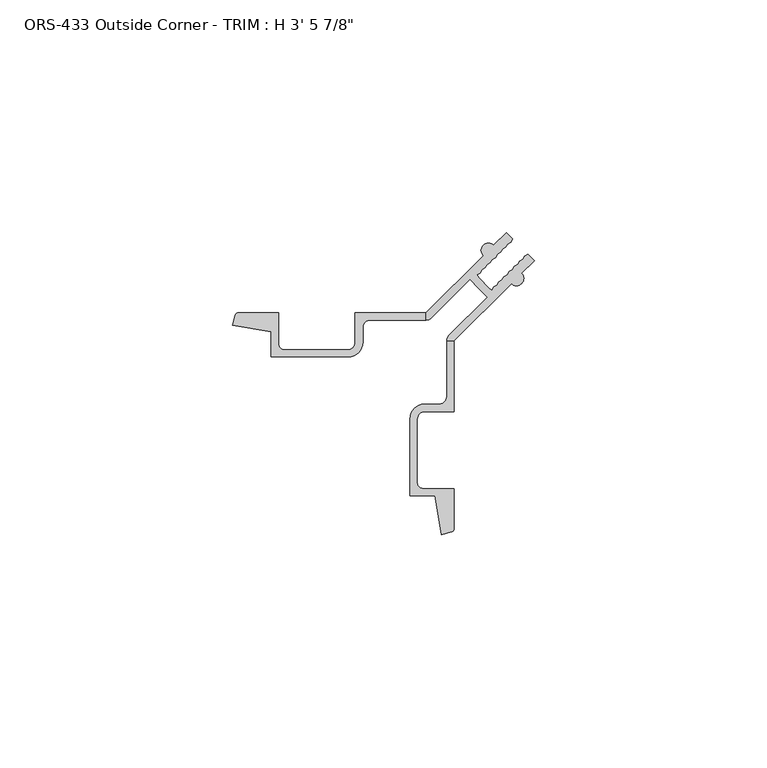
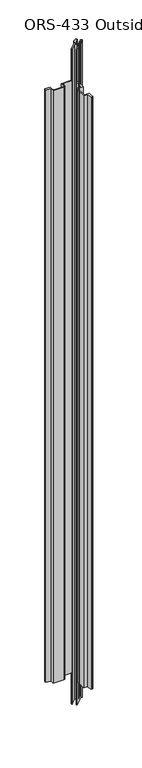
"""IFC4 building model written with IfcOpenShell, lengths in millimetres: proxy geometry."""

from ifc_helpers import new_model, si_unit, frame, origin, place, context, project, spatial, polyline, circle_curve, source, transform, mapped, element, save
from ifc_brep_helpers import plane_surface, cylinder_surface, revolved_surface, advanced_brep


def proxy_449db854(model_context):
    return source(origin(), model_context, "Body", "AdvancedBrep", [
        advanced_brep(
        [(30.3216023, 36.3412035, 1063.625), (18.0414703, 24.0610715, 1063.625), (18.0414703, 22.4628693, 1063.625), (19.1496667, 22.9312022, 1063.625), (27.4206627, 31.2129722, 1063.625), (29.3161603, 29.3199405, 1063.625), (31.209192, 27.4244429, 1063.625), (22.927422, 19.1534469, 1063.625), (22.4590891, 18.0254304, 1063.625), (24.0572913, 18.0452505, 1063.625), (36.3374233, 30.3253825, 1063.625), (38.5645269, 32.552486, 1063.625), (41.267584, 35.2555431, 1063.625), (39.8998636, 36.6232635, 1063.625), (39.2053619, 36.2276971, 1063.625), (38.7970087, 35.5204085, 1063.625), (38.102507, 35.1248422, 1063.625), (37.7202851, 34.4436849, 1063.625), (37.0257937, 34.0263924, 1063.625), (36.6085012, 33.3319011, 1063.625), (35.9139996, 32.9363347, 1063.625), (35.4639852, 32.187385, 1063.625), (34.7694835, 31.7918187, 1063.625), (34.3639869, 31.0873867, 1063.625), (33.6694852, 30.6918204, 1063.625), (33.2639886, 29.9873884, 1063.625), (32.5694869, 29.5918221, 1063.625), (32.1857226, 28.9091224, 1063.625), (31.5195919, 29.3419685, 1063.625), (29.3381883, 31.5233721, 1063.625), (28.9053422, 32.1895028, 1063.625), (29.5880419, 32.5732671, 1063.625), (29.9836082, 33.2677688, 1063.625), (30.6880402, 33.6732654, 1063.625), (31.0836065, 34.3677671, 1063.625), (31.7880385, 34.7732637, 1063.625), (32.1836048, 35.4677654, 1063.625), (32.9325545, 35.9177798, 1063.625), (33.3281209, 36.6122814, 1063.625), (34.0476129, 37.0445958, 1063.625), (34.4399047, 37.7240653, 1063.625), (35.121062, 38.1062872, 1063.625), (35.5166283, 38.8007889, 1063.625), (36.2239169, 39.2091421, 1063.625), (36.6194832, 39.9036438, 1063.625), (35.2517629, 41.2713642, 1063.625), (32.5487058, 38.5683071, 1063.625), (30.3216023, 36.3412035, 0.0), (32.5487058, 38.5683071, 0.0), (35.2517629, 41.2713642, 0.0), (36.6194832, 39.9036438, 0.0), (36.2239169, 39.2091421, 0.0), (35.5166283, 38.8007889, 0.0), (35.121062, 38.1062872, 0.0), (34.4399047, 37.7240653, 0.0), (34.0476129, 37.0445958, 0.0), (33.3281209, 36.6122814, 0.0), (32.9325545, 35.9177798, 0.0), (32.1836048, 35.4677654, 0.0), (31.7880385, 34.7732637, 0.0), (31.0836065, 34.3677671, 0.0), (30.6880402, 33.6732654, 0.0), (29.9836082, 33.2677688, 0.0), (29.5880419, 32.5732671, 0.0), (28.9053422, 32.1895028, 0.0), (29.3381883, 31.5233721, 0.0), (31.5195919, 29.3419685, 0.0), (32.1857226, 28.9091224, 0.0), (32.5694869, 29.5918221, 0.0), (33.2639886, 29.9873884, 0.0), (33.6694852, 30.6918204, 0.0), (34.3639869, 31.0873867, 0.0), (34.7694835, 31.7918187, 0.0), (35.4639852, 32.187385, 0.0), (35.9139996, 32.9363347, 0.0), (36.6085012, 33.3319011, 0.0), (37.0257937, 34.0263924, 0.0), (37.7202851, 34.4436849, 0.0), (38.102507, 35.1248422, 0.0), (38.7970087, 35.5204085, 0.0), (39.2053619, 36.2276971, 0.0), (39.8998636, 36.6232635, 0.0), (41.267584, 35.2555431, 0.0), (38.5645269, 32.552486, 0.0), (36.3374233, 30.3253825, 0.0), (24.0572913, 18.0452505, 0.0), (22.4590891, 18.0452505, 0.0), (22.927422, 19.1534469, 0.0), (31.209192, 27.4244429, 0.0), (29.3161603, 29.3199405, 0.0), (27.4206627, 31.2129722, 0.0), (19.1496667, 22.9312022, 0.0), (18.0216502, 22.4628693, 0.0), (18.0414703, 24.0610715, 0.0), (18.0414703, 24.0610715, 50.8), (18.0414703, 24.0610715, 1012.825), (2.7760703, 24.0610715, 50.8), (2.7760703, 24.0610715, 1012.825), (2.7760703, 17.6983715, 50.8), (2.7760703, 17.6983715, 1012.825), (1.1885703, 16.1108715, 50.8), (1.1885703, 16.1108715, 1012.825), (-12.4639297, 16.1108715, 50.8), (-12.4639297, 16.1108715, 1012.825), (-13.7339297, 17.3808715, 50.8), (-13.7339297, 17.3808715, 1012.825), (-13.7339297, 24.0610715, 50.8), (-13.7339297, 24.0610715, 1012.825), (-22.2942816, 24.0610715, 50.8), (-22.2942816, 24.0610715, 1012.825), (-23.0548743, 23.4974723, 50.8), (-23.0548743, 23.4974723, 1012.825), (-23.6377036, 21.3549227, 50.8), (-23.6377036, 21.3549227, 1012.825), (-15.3087297, 19.9287285, 50.8), (-15.3087297, 19.9287285, 1012.825), (-15.3087297, 14.5610551, 50.8), (-15.3087297, 14.5610551, 1012.825), (1.2844379, 14.5610551, 50.8), (1.2844379, 14.5610551, 1012.825), (4.4092625, 17.6858797, 50.8), (4.4092625, 17.6858797, 1012.825), (4.4092625, 20.8979271, 50.8), (4.4092625, 20.8979271, 1012.825), (5.9742047, 22.4628693, 50.8), (5.9742047, 22.4628693, 1012.825), (18.0216502, 22.4628693, 50.8), (18.0216502, 22.4628693, 1012.825), (22.4592125, 18.0452505, 50.8), (22.4590891, 18.0254304, 1012.825), (22.4590891, 5.9779849, 50.8), (22.4590891, 5.9779849, 1012.825), (20.8941469, 4.4130427, 50.8), (20.8941469, 4.4130427, 1012.825), (17.6820995, 4.4130427, 50.8), (17.6820995, 4.4130427, 1012.825), (14.5572749, 1.2882181, 50.8), (14.5572749, 1.2882181, 1012.825), (14.5572749, -15.3049495, 50.8), (14.5572749, -15.3049495, 1012.825), (19.9249483, -15.3049495, 50.8), (19.9249483, -15.3049495, 1012.825), (21.3511424, -23.6339234, 50.8), (21.3511424, -23.6339234, 1012.825), (23.4936921, -23.0510941, 50.8), (23.4936921, -23.0510941, 1012.825), (24.0572913, -22.2905014, 50.8), (24.0572913, -22.2905014, 1012.825), (24.0572913, -13.7301495, 50.8), (24.0572913, -13.7301495, 1012.825), (17.3770913, -13.7301495, 50.8), (17.3770913, -13.7301495, 1012.825), (16.1070913, -12.4601495, 50.8), (16.1070913, -12.4601495, 1012.825), (16.1070913, 1.1923505, 50.8), (16.1070913, 1.1923505, 1012.825), (17.6945913, 2.7798505, 50.8), (17.6945913, 2.7798505, 1012.825), (24.0572913, 2.7798505, 50.8), (24.0572913, 2.7798505, 1012.825), (24.0572913, 18.0452505, 50.8), (24.0572913, 18.0452505, 1012.825)],
        [
            (0, 1),
            (1, 2),
            (2, 3, circle_curve(frame((18.0216502, 24.0554939, 1063.625), z_axis=(0.0, 0.0, 1.0), x_axis=(1.0, 0.0, 0.0)), 1.5926245)),
            (3, 4),
            (4, 5),
            (5, 6),
            (6, 7),
            (7, 8, circle_curve(frame((24.0517137, 18.0254304, 1063.625), z_axis=(0.0, 0.0, 1.0), x_axis=(1.0, 0.0, 0.0)), 1.5926245)),
            (8, 9),
            (9, 10),
            (10, 11, circle_curve(frame((37.4509751, 31.4389342, 1063.625), z_axis=(0.0, 0.0, 1.0), x_axis=(1.0, 0.0, 0.0)), 1.5748)),
            (11, 12),
            (12, 13),
            (13, 14),
            (14, 15),
            (15, 16),
            (16, 17),
            (17, 18),
            (18, 19),
            (19, 20),
            (20, 21),
            (21, 22),
            (22, 23),
            (23, 24),
            (24, 25),
            (25, 26),
            (26, 27),
            (27, 28),
            (28, 29),
            (29, 30),
            (30, 31),
            (31, 32),
            (32, 33),
            (33, 34),
            (34, 35),
            (35, 36),
            (36, 37),
            (37, 38),
            (38, 39),
            (39, 40),
            (40, 41),
            (41, 42),
            (42, 43),
            (43, 44),
            (44, 45),
            (45, 46),
            (46, 0, circle_curve(frame((31.435154, 37.4547553, 1063.625), z_axis=(0.0, 0.0, 1.0), x_axis=(1.0, 0.0, 0.0)), 1.5748)),
            (47, 48, circle_curve(frame((31.435154, 37.4547553, 0.0), z_axis=(0.0, 0.0, -1.0), x_axis=(1.0, 0.0, 0.0)), 1.5748)),
            (48, 49),
            (49, 50),
            (50, 51),
            (51, 52),
            (52, 53),
            (53, 54),
            (54, 55),
            (55, 56),
            (56, 57),
            (57, 58),
            (58, 59),
            (59, 60),
            (60, 61),
            (61, 62),
            (62, 63),
            (63, 64),
            (64, 65),
            (65, 66),
            (66, 67),
            (67, 68),
            (68, 69),
            (69, 70),
            (70, 71),
            (71, 72),
            (72, 73),
            (73, 74),
            (74, 75),
            (75, 76),
            (76, 77),
            (77, 78),
            (78, 79),
            (79, 80),
            (80, 81),
            (81, 82),
            (82, 83),
            (83, 84, circle_curve(frame((37.4509751, 31.4389342, 0.0), z_axis=(0.0, 0.0, -1.0), x_axis=(1.0, 0.0, 0.0)), 1.5748)),
            (84, 85),
            (85, 86),
            (86, 87, circle_curve(frame((24.0517137, 18.0254304, 0.0), z_axis=(0.0, 0.0, -1.0), x_axis=(1.0, 0.0, 0.0)), 1.5926245)),
            (87, 88),
            (88, 89),
            (89, 90),
            (90, 91),
            (91, 92, circle_curve(frame((18.0216502, 24.0554939, 0.0), z_axis=(0.0, 0.0, -1.0), x_axis=(1.0, 0.0, 0.0)), 1.5926245)),
            (92, 93),
            (93, 47),
            (0, 47),
            (93, 94),
            (94, 95),
            (95, 1),
            (94, 96),
            (96, 97),
            (97, 95),
            (96, 98),
            (98, 99),
            (99, 97),
            (98, 100, circle_curve(frame((1.1885703, 17.6983715, 50.8), z_axis=(0.0, 0.0, -1.0), x_axis=(1.0, 0.0, 0.0)), 1.5875)),
            (100, 101),
            (101, 99, circle_curve(frame((1.1885703, 17.6983715, 1012.825), z_axis=(0.0, 0.0, 1.0), x_axis=(1.0, 0.0, 0.0)), 1.5875)),
            (100, 102),
            (102, 103),
            (103, 101),
            (102, 104, circle_curve(frame((-12.4639297, 17.3808715, 50.8), z_axis=(0.0, 0.0, -1.0), x_axis=(1.0, 0.0, 0.0)), 1.27)),
            (104, 105),
            (105, 103, circle_curve(frame((-12.4639297, 17.3808715, 1012.825), z_axis=(0.0, 0.0, 1.0), x_axis=(1.0, 0.0, 0.0)), 1.27)),
            (104, 106),
            (106, 107),
            (107, 105),
            (106, 108),
            (108, 109),
            (109, 107),
            (108, 110, circle_curve(frame((-22.2942816, 23.2660515, 50.8), z_axis=(0.0, 0.0, 1.0), x_axis=(1.0, 0.0, 0.0)), 0.79502)),
            (110, 111),
            (111, 109, circle_curve(frame((-22.2942816, 23.2660515, 1012.825), z_axis=(0.0, 0.0, -1.0), x_axis=(1.0, 0.0, 0.0)), 0.79502)),
            (110, 112, circle_curve(frame((12.6346619, 12.6384421, 50.8), z_axis=(0.0, 0.0, 1.0), x_axis=(1.0, 0.0, 0.0)), 37.30498)),
            (112, 113),
            (113, 111, circle_curve(frame((12.6346619, 12.6384421, 1012.825), z_axis=(0.0, 0.0, -1.0), x_axis=(1.0, 0.0, 0.0)), 37.30498)),
            (112, 114),
            (114, 115),
            (115, 113),
            (114, 116),
            (116, 117),
            (117, 115),
            (116, 118),
            (118, 119),
            (119, 117),
            (118, 120, circle_curve(frame((1.2844379, 17.6858797, 50.8), z_axis=(0.0, 0.0, 1.0), x_axis=(1.0, 0.0, 0.0)), 3.1248246)),
            (120, 121),
            (121, 119, circle_curve(frame((1.2844379, 17.6858797, 1012.825), z_axis=(0.0, 0.0, -1.0), x_axis=(1.0, 0.0, 0.0)), 3.1248246)),
            (120, 122),
            (122, 123),
            (123, 121),
            (122, 124, circle_curve(frame((5.9742047, 20.8979271, 50.8), z_axis=(0.0, 0.0, -1.0), x_axis=(1.0, 0.0, 0.0)), 1.5649422)),
            (124, 125),
            (125, 123, circle_curve(frame((5.9742047, 20.8979271, 1012.825), z_axis=(0.0, 0.0, 1.0), x_axis=(1.0, 0.0, 0.0)), 1.5649422)),
            (124, 126),
            (126, 127),
            (127, 125),
            (2, 127),
            (126, 92),
            (91, 3),
            (90, 4),
            (89, 5),
            (88, 6),
            (87, 7),
            (86, 128),
            (128, 129),
            (129, 8),
            (128, 130),
            (130, 131),
            (131, 129),
            (130, 132, circle_curve(frame((20.8941469, 5.9779849, 50.8), z_axis=(0.0, 0.0, -1.0), x_axis=(1.0, 0.0, 0.0)), 1.5649422)),
            (132, 133),
            (133, 131, circle_curve(frame((20.8941469, 5.9779849, 1012.825), z_axis=(0.0, 0.0, 1.0), x_axis=(1.0, 0.0, 0.0)), 1.5649422)),
            (134, 135),
            (135, 133),
            (132, 134),
            (134, 136, circle_curve(frame((17.6820995, 1.2882181, 50.8), z_axis=(0.0, 0.0, 1.0), x_axis=(1.0, 0.0, 0.0)), 3.1248246)),
            (136, 137),
            (137, 135, circle_curve(frame((17.6820995, 1.2882181, 1012.825), z_axis=(0.0, 0.0, -1.0), x_axis=(1.0, 0.0, 0.0)), 3.1248246)),
            (136, 138),
            (138, 139),
            (139, 137),
            (138, 140),
            (140, 141),
            (141, 139),
            (140, 142),
            (142, 143),
            (143, 141),
            (142, 144, circle_curve(frame((12.6346619, 12.6384421, 50.8), z_axis=(0.0, 0.0, 1.0), x_axis=(1.0, 0.0, 0.0)), 37.30498)),
            (144, 145),
            (145, 143, circle_curve(frame((12.6346619, 12.6384421, 1012.825), z_axis=(0.0, 0.0, -1.0), x_axis=(1.0, 0.0, 0.0)), 37.30498)),
            (144, 146, circle_curve(frame((23.2622713, -22.2905014, 50.8), z_axis=(0.0, 0.0, 1.0), x_axis=(1.0, 0.0, 0.0)), 0.79502)),
            (146, 147),
            (147, 145, circle_curve(frame((23.2622713, -22.2905014, 1012.825), z_axis=(0.0, 0.0, -1.0), x_axis=(1.0, 0.0, 0.0)), 0.79502)),
            (146, 148),
            (148, 149),
            (149, 147),
            (148, 150),
            (150, 151),
            (151, 149),
            (150, 152, circle_curve(frame((17.3770913, -12.4601495, 50.8), z_axis=(0.0, 0.0, -1.0), x_axis=(1.0, 0.0, 0.0)), 1.27)),
            (152, 153),
            (153, 151, circle_curve(frame((17.3770913, -12.4601495, 1012.825), z_axis=(0.0, 0.0, 1.0), x_axis=(1.0, 0.0, 0.0)), 1.27)),
            (152, 154),
            (154, 155),
            (155, 153),
            (154, 156, circle_curve(frame((17.6945913, 1.1923505, 50.8), z_axis=(0.0, 0.0, -1.0), x_axis=(1.0, 0.0, 0.0)), 1.5875)),
            (156, 157),
            (157, 155, circle_curve(frame((17.6945913, 1.1923505, 1012.825), z_axis=(0.0, 0.0, 1.0), x_axis=(1.0, 0.0, 0.0)), 1.5875)),
            (156, 158),
            (158, 159),
            (159, 157),
            (158, 160),
            (160, 161),
            (161, 159),
            (9, 161),
            (160, 85),
            (84, 10),
            (83, 11),
            (82, 12),
            (81, 13),
            (80, 14),
            (79, 15),
            (78, 16),
            (77, 17),
            (76, 18),
            (75, 19),
            (74, 20),
            (73, 21),
            (72, 22),
            (71, 23),
            (70, 24),
            (69, 25),
            (68, 26),
            (67, 27),
            (66, 28),
            (65, 29),
            (64, 30),
            (63, 31),
            (62, 32),
            (61, 33),
            (60, 34),
            (59, 35),
            (58, 36),
            (57, 37),
            (56, 38),
            (55, 39),
            (54, 40),
            (53, 41),
            (52, 42),
            (51, 43),
            (50, 44),
            (49, 45),
            (48, 46),
            (95, 127),
            (126, 94),
            (161, 129),
            (160, 128),
        ],
        [
            plane_surface(frame((18.0414703, 24.0610715, 1063.625), z_axis=(0.0, 0.0, 1.0000000000000002), x_axis=(-0.7071067811870301, -0.7071067811860651, 0.0))),
            plane_surface(frame((18.0414703, 24.0610715, 0.0), z_axis=(0.0, 0.0, -1.0000000000000002), x_axis=(0.7071067811870301, 0.7071067811860651, 0.0))),
            plane_surface(frame((30.3216023, 36.3412035, 1063.625), z_axis=(-0.7071067811860651, 0.7071067811870301, 0.0), x_axis=(0.0, 0.0, -1.0))),
            plane_surface(frame((18.0414703, 24.0610715, 1063.625), z_axis=(0.0, 1.0, 0.0), x_axis=(0.0, 0.0, -1.0))),
            plane_surface(frame((2.7760703, 24.0610715, 1063.625), z_axis=(-1.0, 0.0, 0.0), x_axis=(0.0, 0.0, -1.0))),
            revolved_surface(polyline([(2.7760702999999998, 17.6983715, 50.8), (2.7760702999999998, 17.6983715, 1012.825)]), (1.1885703, 17.6983715, 0.0), (0.0, 0.0, -1.0)),
            plane_surface(frame((1.1885703, 16.1108715, 1063.625), z_axis=(0.0, 1.0, 0.0), x_axis=(0.0, 0.0, -1.0))),
            revolved_surface(polyline([(-11.1939297, 17.3808715, 50.8), (-11.1939297, 17.3808715, 1012.825)]), (-12.4639297, 17.3808715, 0.0), (0.0, 0.0, -1.0)),
            plane_surface(frame((-13.7339297, 17.3808715, 1063.625), z_axis=(1.0, 0.0, 0.0), x_axis=(0.0, 0.0, -1.0))),
            plane_surface(frame((-13.7339297, 24.0610715, 1063.625), z_axis=(0.0, 1.0, 0.0), x_axis=(0.0, 0.0, -1.0))),
            cylinder_surface(frame((-22.2942816, 23.2660515, 0.0), z_axis=(0.0, 0.0, 1.0), x_axis=(1.0, 0.0, 0.0)), 0.79502),
            cylinder_surface(frame((12.6346619, 12.6384421, 0.0), z_axis=(0.0, 0.0, 1.0), x_axis=(1.0, 0.0, 0.0)), 37.30498),
            plane_surface(frame((-23.6377036, 21.3549227, 1063.625), z_axis=(-0.16877643140259416, -0.9856543593993817, 0.0), x_axis=(0.0, 0.0, -1.0))),
            plane_surface(frame((-15.3087297, 19.9287285, 1063.625), z_axis=(-1.0, 0.0, 0.0), x_axis=(0.0, 0.0, -1.0))),
            plane_surface(frame((-15.3087297, 14.5610551, 1063.625), z_axis=(0.0, -1.0, 0.0), x_axis=(0.0, 0.0, -1.0))),
            cylinder_surface(frame((1.2844379, 17.6858797, 0.0), z_axis=(0.0, 0.0, 1.0), x_axis=(1.0, 0.0, 0.0)), 3.1248246),
            plane_surface(frame((4.4092625, 17.6858797, 1063.625), z_axis=(1.0, 0.0, 0.0), x_axis=(0.0, 0.0, -1.0))),
            revolved_surface(polyline([(7.5391468999999995, 20.8979271, 50.8), (7.5391468999999995, 20.8979271, 1012.825)]), (5.9742047, 20.8979271, 0.0), (0.0, 0.0, -1.0)),
            plane_surface(frame((5.9742047, 22.4628693, 1063.625), z_axis=(0.0, -1.0, 0.0), x_axis=(0.0, 0.0, -1.0))),
            cylinder_surface(frame((18.0216502, 24.0554939, 0.0), z_axis=(0.0, 0.0, 1.0), x_axis=(1.0, 0.0, 0.0)), 1.5926245),
            plane_surface(frame((19.1496667, 22.9312022, 1063.625), z_axis=(0.7075668807467315, -0.7066463820542356, 0.0), x_axis=(0.0, 0.0, -1.0))),
            plane_surface(frame((27.4206627, 31.2129722, 1063.625), z_axis=(-0.7066463820542394, -0.7075668807467277, 0.0), x_axis=(0.0, 0.0, -1.0))),
            plane_surface(frame((29.3161603, 29.3199405, 1063.625), z_axis=(-0.707566880746452, -0.7066463820545156, 0.0), x_axis=(0.0, 0.0, -1.0))),
            plane_surface(frame((31.209192, 27.4244429, 1063.625), z_axis=(-0.7066463820545136, 0.7075668807464538, 0.0), x_axis=(0.0, 0.0, -1.0))),
            cylinder_surface(frame((24.0517137, 18.0254304, 0.0), z_axis=(0.0, 0.0, 1.0), x_axis=(1.0, 0.0, 0.0)), 1.5926245),
            plane_surface(frame((22.4590891, 18.0254304, 1063.625), z_axis=(-1.0, 0.0, 0.0), x_axis=(0.0, 0.0, -1.0))),
            revolved_surface(polyline([(22.4590891, 5.9779849, 50.8), (22.4590891, 5.9779849, 1012.825)]), (20.8941469, 5.9779849, 0.0), (0.0, 0.0, -1.0)),
            plane_surface(frame((20.8941469, 4.4130427, 1063.625), z_axis=(0.0, 1.0, 0.0), x_axis=(0.0, 0.0, -1.0))),
            cylinder_surface(frame((17.6820995, 1.2882181, 0.0), z_axis=(0.0, 0.0, 1.0), x_axis=(1.0, 0.0, 0.0)), 3.1248246),
            plane_surface(frame((14.5572749, 1.2882181, 1063.625), z_axis=(-1.0, 0.0, 0.0), x_axis=(0.0, 0.0, -1.0))),
            plane_surface(frame((14.5572749, -15.3049495, 1063.625), z_axis=(0.0, -1.0, 0.0), x_axis=(0.0, 0.0, -1.0))),
            plane_surface(frame((19.9249483, -15.3049495, 1063.625), z_axis=(-0.9856543593987532, -0.16877643140626442, 0.0), x_axis=(0.0, 0.0, -1.0))),
            cylinder_surface(frame((23.2622713, -22.2905014, 0.0), z_axis=(0.0, 0.0, 1.0), x_axis=(1.0, 0.0, 0.0)), 0.79502),
            plane_surface(frame((24.0572913, -22.2905014, 1063.625), z_axis=(1.0, 1.0485495735024034e-12, 0.0), x_axis=(0.0, 0.0, -1.0))),
            plane_surface(frame((24.0572913, -13.7301495, 1063.625), z_axis=(0.0, 1.0, 0.0), x_axis=(0.0, 0.0, -1.0))),
            revolved_surface(polyline([(18.6470913, -12.4601495, 50.8), (18.6470913, -12.4601495, 1012.825)]), (17.3770913, -12.4601495, 0.0), (0.0, 0.0, -1.0)),
            plane_surface(frame((16.1070913, -12.4601495, 1063.625), z_axis=(1.0, 0.0, 0.0), x_axis=(0.0, 0.0, -1.0))),
            revolved_surface(polyline([(19.282091299999998, 1.1923505, 50.8), (19.282091299999998, 1.1923505, 1012.825)]), (17.6945913, 1.1923505, 0.0), (0.0, 0.0, -1.0)),
            plane_surface(frame((17.6945913, 2.7798505, 1063.625), z_axis=(0.0, -1.0, 0.0), x_axis=(0.0, 0.0, -1.0))),
            plane_surface(frame((24.0572913, 2.7798505, 1063.625), z_axis=(1.0, 0.0, 0.0), x_axis=(0.0, 0.0, -1.0))),
            plane_surface(frame((24.0572913, 18.0452505, 1063.625), z_axis=(0.7071067811863814, -0.7071067811867138, 0.0), x_axis=(0.0, 0.0, -1.0))),
            cylinder_surface(frame((37.4509751, 31.4389342, 0.0), z_axis=(0.0, 0.0, 1.0), x_axis=(1.0, 0.0, 0.0)), 1.5748),
            plane_surface(frame((38.5645269, 32.552486, 1063.625), z_axis=(0.7071067811933328, -0.7071067811797623, 0.0), x_axis=(0.0, 0.0, -1.0))),
            plane_surface(frame((41.267584, 35.2555431, 1063.625), z_axis=(0.7071067811844274, 0.7071067811886678, 0.0), x_axis=(0.0, 0.0, -1.0))),
            plane_surface(frame((39.8998636, 36.6232635, 1063.625), z_axis=(-0.49492008941651605, 0.868938493273228, 0.0), x_axis=(0.0, 0.0, -1.0))),
            plane_surface(frame((39.2053619, 36.2276971, 1063.625), z_axis=(-0.8660254037838334, 0.5000000000010483, 0.0), x_axis=(0.0, 0.0, -1.0))),
            plane_surface(frame((38.7970087, 35.5204085, 1063.625), z_axis=(-0.49492008941652565, 0.8689384932732226, 0.0), x_axis=(0.0, 0.0, -1.0))),
            plane_surface(frame((38.102507, 35.1248422, 1063.625), z_axis=(-0.8720833110562433, 0.48935743437407775, 0.0), x_axis=(0.0, 0.0, -1.0))),
            plane_surface(frame((37.7202851, 34.4436849, 1063.625), z_axis=(-0.5150380749100452, 0.8571673007021178, 0.0), x_axis=(0.0, 0.0, -1.0))),
            plane_surface(frame((37.0257937, 34.0263924, 1063.625), z_axis=(-0.8571673007014923, 0.5150380749110862, 0.0), x_axis=(0.0, 0.0, -1.0))),
            plane_surface(frame((36.6085012, 33.3319011, 1063.625), z_axis=(-0.4949200894165229, 0.8689384932732241, 0.0), x_axis=(0.0, 0.0, -1.0))),
            plane_surface(frame((35.9139996, 32.9363347, 1063.625), z_axis=(-0.8571673007014929, 0.5150380749110849, 0.0), x_axis=(0.0, 0.0, -1.0))),
            plane_surface(frame((35.4639852, 32.187385, 1063.625), z_axis=(-0.49492008941653676, 0.8689384932732163, 0.0), x_axis=(0.0, 0.0, -1.0))),
            plane_surface(frame((34.7694835, 31.7918187, 1063.625), z_axis=(-0.8666678863520235, 0.4988855327288176, 0.0), x_axis=(0.0, 0.0, -1.0))),
            plane_surface(frame((34.3639869, 31.0873867, 1063.625), z_axis=(-0.4949200894165399, 0.8689384932732145, 0.0), x_axis=(0.0, 0.0, -1.0))),
            plane_surface(frame((33.6694852, 30.6918204, 1063.625), z_axis=(-0.8666678863520224, 0.4988855327288195, 0.0), x_axis=(0.0, 0.0, -1.0))),
            plane_surface(frame((33.2639886, 29.9873884, 1063.625), z_axis=(-0.4949200894165293, 0.8689384932732205, 0.0), x_axis=(0.0, 0.0, -1.0))),
            plane_surface(frame((32.5694869, 29.5918221, 1063.625), z_axis=(-0.8717142162232341, 0.49001461736800545, 0.0), x_axis=(0.0, 0.0, -1.0))),
            plane_surface(frame((32.1857226, 28.9091224, 1063.625), z_axis=(0.5448654294838686, 0.8385235022069205, 0.0), x_axis=(0.0, 0.0, -1.0))),
            plane_surface(frame((31.5195919, 29.3419685, 1063.625), z_axis=(0.7071067811865476, 0.7071067811865476, 0.0), x_axis=(0.0, 0.0, -1.0))),
            plane_surface(frame((29.3381883, 31.5233721, 1063.625), z_axis=(0.8385235022075742, 0.5448654294828625, 0.0), x_axis=(0.0, 0.0, -1.0))),
            plane_surface(frame((28.9053422, 32.1895028, 1063.625), z_axis=(0.4900146173669532, -0.8717142162238256, 0.0), x_axis=(0.0, 0.0, -1.0))),
            plane_surface(frame((29.5880419, 32.5732671, 1063.625), z_axis=(0.8689384932726237, -0.49492008941757715, 0.0), x_axis=(0.0, 0.0, -1.0))),
            plane_surface(frame((29.9836082, 33.2677688, 1063.625), z_axis=(0.4988855327277707, -0.8666678863526263, 0.0), x_axis=(0.0, 0.0, -1.0))),
            plane_surface(frame((30.6880402, 33.6732654, 1063.625), z_axis=(0.8689384932726151, -0.49492008941759236, 0.0), x_axis=(0.0, 0.0, -1.0))),
            plane_surface(frame((31.0836065, 34.3677671, 1063.625), z_axis=(0.4988855327277697, -0.8666678863526267, 0.0), x_axis=(0.0, 0.0, -1.0))),
            plane_surface(frame((31.7880385, 34.7732637, 1063.625), z_axis=(0.8689384932726185, -0.4949200894175863, 0.0), x_axis=(0.0, 0.0, -1.0))),
            plane_surface(frame((32.1836048, 35.4677654, 1063.625), z_axis=(0.5150380749100545, -0.8571673007021122, 0.0), x_axis=(0.0, 0.0, -1.0))),
            plane_surface(frame((32.9325545, 35.9177798, 1063.625), z_axis=(0.8689384932726225, -0.49492008941757926, 0.0), x_axis=(0.0, 0.0, -1.0))),
            plane_surface(frame((33.3281209, 36.6122814, 1063.625), z_axis=(0.515038074910052, -0.8571673007021136, 0.0), x_axis=(0.0, 0.0, -1.0))),
            plane_surface(frame((34.0476129, 37.0445958, 1063.625), z_axis=(0.8660254037838304, -0.5000000000010536, 0.0), x_axis=(0.0, 0.0, -1.0))),
            plane_surface(frame((34.4399047, 37.7240653, 1063.625), z_axis=(0.4893574343730278, -0.8720833110568323, 0.0), x_axis=(0.0, 0.0, -1.0))),
            plane_surface(frame((35.121062, 38.1062872, 1063.625), z_axis=(0.8689384932726248, -0.49492008941757526, 0.0), x_axis=(0.0, 0.0, -1.0))),
            plane_surface(frame((35.5166283, 38.8007889, 1063.625), z_axis=(0.5000000000000022, -0.8660254037844375, 0.0), x_axis=(0.0, 0.0, -1.0))),
            plane_surface(frame((36.2239169, 39.2091421, 1063.625), z_axis=(0.8689384932726318, -0.4949200894175629, 0.0), x_axis=(0.0, 0.0, -1.0))),
            plane_surface(frame((36.6194832, 39.9036438, 1063.625), z_axis=(0.7071067811879592, 0.7071067811851359, 0.0), x_axis=(0.0, 0.0, -1.0))),
            plane_surface(frame((35.2517629, 41.2713642, 1063.625), z_axis=(-0.7071067811873044, 0.7071067811857906, 0.0), x_axis=(0.0, 0.0, -1.0))),
            cylinder_surface(frame((31.435154, 37.4547553, 0.0), z_axis=(0.0, 0.0, 1.0), x_axis=(1.0, 0.0, 0.0)), 1.5748),
            plane_surface(frame((18.0414703, 4.4130427, 1063.625), z_axis=(-1.0, 0.0, 0.0), x_axis=(0.0, 0.0, -1.0))),
            plane_surface(frame((18.0414703, 4.4130427, 1012.825), z_axis=(0.0, 0.0, 1.0), x_axis=(-1.0, 0.0, 0.0))),
            plane_surface(frame((18.0414703, 24.0610715, 50.8), z_axis=(0.0, 0.0, -1.0), x_axis=(-1.0, 0.0, 0.0))),
            plane_surface(frame((66.04, -23.6339234, 1012.825), z_axis=(0.0, 0.0, 1.0), x_axis=(-1.0, 0.0, 0.0))),
            plane_surface(frame((66.04, 18.0452505, 1012.825), z_axis=(0.0, -1.0, 0.0), x_axis=(-1.0, 0.0, 0.0))),
            plane_surface(frame((66.04, 18.0452505, 0.0), z_axis=(0.0, -1.0, 0.0), x_axis=(-1.0, 0.0, 0.0))),
            plane_surface(frame((66.04, 18.0452505, 50.8), z_axis=(0.0, 0.0, -1.0), x_axis=(-1.0, 0.0, 0.0))),
        ],
        [
            (0, [[1, 2, 3, 4, 5, 6, 7, 8, 9, 10, 11, 12, 13, 14, 15, 16, 17, 18, 19, 20, 21, 22, 23, 24, 25, 26, 27, 28, 29, 30, 31, 32, 33, 34, 35, 36, 37, 38, 39, 40, 41, 42, 43, 44, 45, 46, 47]]),
            (1, [[48, 49, 50, 51, 52, 53, 54, 55, 56, 57, 58, 59, 60, 61, 62, 63, 64, 65, 66, 67, 68, 69, 70, 71, 72, 73, 74, 75, 76, 77, 78, 79, 80, 81, 82, 83, 84, 85, 86, 87, 88, 89, 90, 91, 92, 93, 94]]),
            (2, [[-1, 95, -94, 96, 97, 98]]),
            (3, [[-97, 99, 100, 101]]),
            (4, [[-100, 102, 103, 104]]),
            (5, [[-103, 105, 106, 107]]),
            (6, [[-106, 108, 109, 110]]),
            (7, [[-109, 111, 112, 113]]),
            (8, [[-112, 114, 115, 116]]),
            (9, [[-115, 117, 118, 119]]),
            (10, [[-118, 120, 121, 122]]),
            (11, [[-121, 123, 124, 125]]),
            (12, [[-124, 126, 127, 128]]),
            (13, [[-127, 129, 130, 131]]),
            (14, [[-130, 132, 133, 134]]),
            (15, [[-133, 135, 136, 137]]),
            (16, [[-136, 138, 139, 140]]),
            (17, [[-139, 141, 142, 143]]),
            (18, [[-142, 144, 145, 146]]),
            (19, [[-3, 147, -145, 148, -92, 149]]),
            (20, [[-4, -149, -91, 150]]),
            (21, [[-5, -150, -90, 151]]),
            (22, [[-6, -151, -89, 152]]),
            (23, [[-7, -152, -88, 153]]),
            (24, [[-8, -153, -87, 154, 155, 156]]),
            (25, [[-155, 157, 158, 159]]),
            (26, [[-158, 160, 161, 162]]),
            (27, [[163, 164, -161, 165]]),
            (28, [[-163, 166, 167, 168]]),
            (29, [[-167, 169, 170, 171]]),
            (30, [[-170, 172, 173, 174]]),
            (31, [[-173, 175, 176, 177]]),
            (11, [[-176, 178, 179, 180]]),
            (32, [[-179, 181, 182, 183]]),
            (33, [[-182, 184, 185, 186]]),
            (34, [[-185, 187, 188, 189]]),
            (35, [[-188, 190, 191, 192]]),
            (36, [[-191, 193, 194, 195]]),
            (37, [[-194, 196, 197, 198]]),
            (38, [[-197, 199, 200, 201]]),
            (39, [[-200, 202, 203, 204]]),
            (40, [[-10, 205, -203, 206, -85, 207]]),
            (41, [[-11, -207, -84, 208]]),
            (42, [[-12, -208, -83, 209]]),
            (43, [[-13, -209, -82, 210]]),
            (44, [[-14, -210, -81, 211]]),
            (45, [[-15, -211, -80, 212]]),
            (46, [[-16, -212, -79, 213]]),
            (47, [[-17, -213, -78, 214]]),
            (48, [[-18, -214, -77, 215]]),
            (49, [[-19, -215, -76, 216]]),
            (50, [[-20, -216, -75, 217]]),
            (51, [[-21, -217, -74, 218]]),
            (52, [[-22, -218, -73, 219]]),
            (53, [[-23, -219, -72, 220]]),
            (54, [[-24, -220, -71, 221]]),
            (55, [[-25, -221, -70, 222]]),
            (56, [[-26, -222, -69, 223]]),
            (57, [[-27, -223, -68, 224]]),
            (58, [[-28, -224, -67, 225]]),
            (59, [[-29, -225, -66, 226]]),
            (60, [[-30, -226, -65, 227]]),
            (61, [[-31, -227, -64, 228]]),
            (62, [[-32, -228, -63, 229]]),
            (63, [[-33, -229, -62, 230]]),
            (64, [[-34, -230, -61, 231]]),
            (65, [[-35, -231, -60, 232]]),
            (66, [[-36, -232, -59, 233]]),
            (67, [[-37, -233, -58, 234]]),
            (68, [[-38, -234, -57, 235]]),
            (69, [[-39, -235, -56, 236]]),
            (70, [[-40, -236, -55, 237]]),
            (71, [[-41, -237, -54, 238]]),
            (72, [[-42, -238, -53, 239]]),
            (73, [[-43, -239, -52, 240]]),
            (74, [[-44, -240, -51, 241]]),
            (75, [[-45, -241, -50, 242]]),
            (76, [[-46, -242, -49, 243]]),
            (77, [[-47, -243, -48, -95]]),
            (78, [[244, -147, -2, -98]]),
            (78, [[245, -96, -93, -148]]),
            (79, [[-244, -101, -104, -107, -110, -113, -116, -119, -122, -125, -128, -131, -134, -137, -140, -143, -146]]),
            (80, [[-245, -144, -141, -138, -135, -132, -129, -126, -123, -120, -117, -114, -111, -108, -105, -102, -99]]),
            (81, [[246, -159, -162, -164, -168, -171, -174, -177, -180, -183, -186, -189, -192, -195, -198, -201, -204]]),
            (82, [[-246, -205, -9, -156]]),
            (83, [[247, -154, -86, -206]]),
            (84, [[-247, -202, -199, -196, -193, -190, -187, -184, -181, -178, -175, -172, -169, -166, -165, -160, -157]]),
        ],
    ),
    ])


if __name__ == "__main__":
    model = new_model("IFC4")
    model_context = context("Model", 3, world=origin())
    ifc_project = project(units=[si_unit("LENGTHUNIT", "METRE", prefix="MILLI")], contexts=[model_context])
    site = spatial("IfcSite", under=ifc_project)
    building = spatial("IfcBuilding", under=site)
    placement = place(None, origin())
    proxy_shape = proxy_449db854(model_context)
    element("IfcBuildingElementProxy", 1, Name="ORS-433 Outside Corner - TRIM : H 3' 5 7/8\"", ObjectType="ORS-433 Outside Corner - TRIM : H 3' 5 7/8\"", at=placement, inside=building, context=model_context, shape_type="MappedRepresentation", body=[
        mapped(proxy_shape, transform((0.0, 0.0, 0.0), x_axis=(1.0, 0.0, 0.0), y_axis=(0.0, 1.0, 0.0), z_axis=(0.0, 0.0, 1.0))),
    ])
    save(model, "model.ifc")
